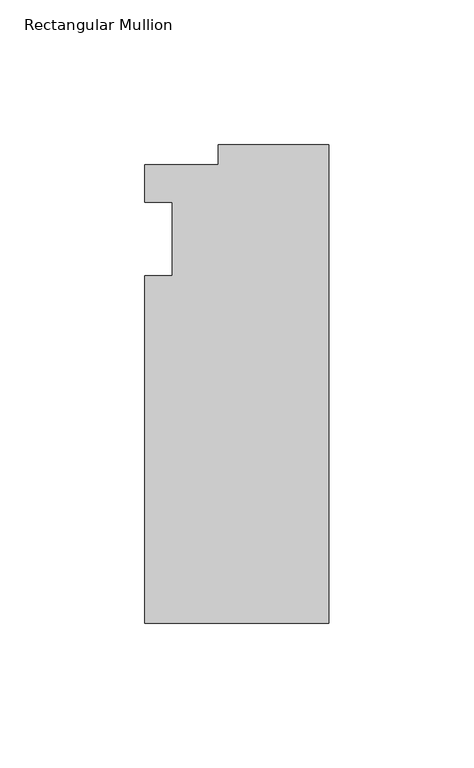
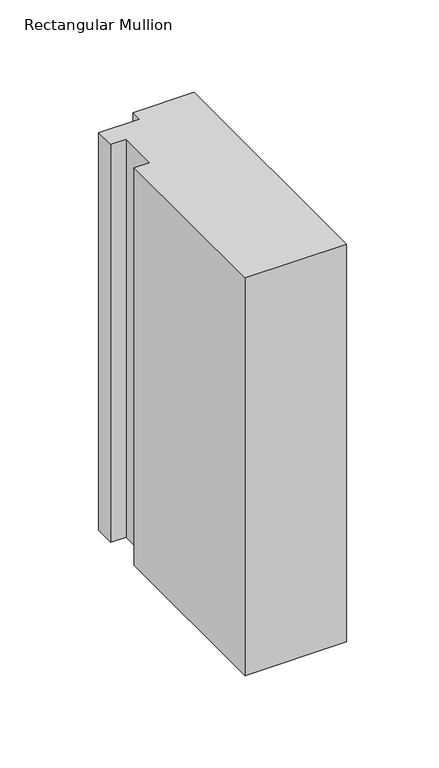
"""IFC4 building model written with IfcOpenShell, lengths in millimetres: member geometry, Rectangular Mullion."""

from ifc_helpers import new_model, si_unit, frame, origin, place, context, project, spatial, polyline, outline, extrude, source, transform, mapped, element, save


def rectangular_mullion_6a255946(model_context):
    return source(origin(), model_context, "Body", "SweptSolid", [
        extrude(outline(polyline([(-38.1, 32.54375), (0.0, 32.54375), (0.0, -132.55625), (-63.5, -132.55625), (-63.5, -12.7), (-53.975, -12.7), (-53.975, 12.7), (-63.5, 12.7), (-63.5, 25.58415), (-38.1, 25.58415), (-38.1, 32.54375)])), frame((0.0, 0.0, -262.4666667), z_axis=(0.0, 0.0, 1.0), x_axis=(1.0, 0.0, 0.0)), (0.0, 0.0, 1.0), 262.4666667),
    ])


if __name__ == "__main__":
    model = new_model("IFC4")
    model_context = context("Model", 3, world=origin())
    ifc_project = project(units=[si_unit("LENGTHUNIT", "METRE", prefix="MILLI")], contexts=[model_context])
    site = spatial("IfcSite", under=ifc_project)
    building = spatial("IfcBuilding", under=site)
    placement = place(None, origin())
    rectangular_mullion_shape = rectangular_mullion_6a255946(model_context)
    element("IfcMember", 1, ObjectType="Rectangular Mullion", at=placement, inside=building, context=model_context, shape_type="MappedRepresentation", body=[
        mapped(rectangular_mullion_shape, transform((0.0, 0.0, 0.0), x_axis=(1.0, 0.0, 0.0), y_axis=(0.0, 1.0, 0.0), z_axis=(0.0, 0.0, 1.0))),
    ])
    save(model, "model.ifc")
